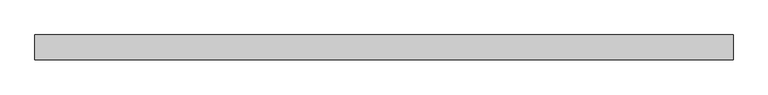
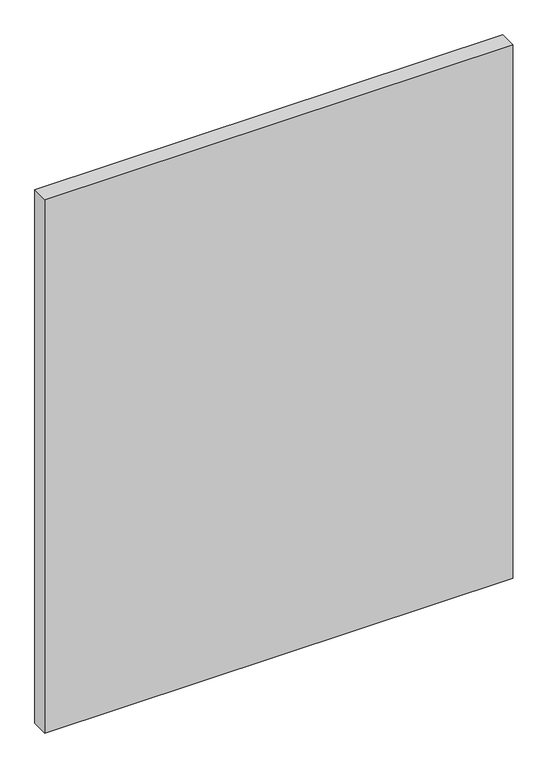
"""IFC4 building model written with IfcOpenShell, lengths in millimetres: plate geometry."""

from ifc_helpers import new_model, si_unit, origin, origin_with_axes, place, context, project, spatial, polyline, outline, extrude, source, transform, mapped, element, save


def plate_f19fb958(model_context):
    return source(origin(), model_context, "Body", "SweptSolid", [
        extrude(outline(polyline([(730.7821394, -26.19375), (-730.7821394, -26.19375), (-730.7821394, 26.19375), (730.7821394, 26.19375), (730.7821394, -26.19375)])), origin_with_axes(), (0.0, 0.0, 1.0), 1761.3),
    ])


if __name__ == "__main__":
    model = new_model("IFC4")
    model_context = context("Model", 3, world=origin())
    ifc_project = project(units=[si_unit("LENGTHUNIT", "METRE", prefix="MILLI")], contexts=[model_context])
    site = spatial("IfcSite", under=ifc_project)
    building = spatial("IfcBuilding", under=site)
    placement = place(None, origin())
    plate_shape = plate_f19fb958(model_context)
    element("IfcPlate", 1, at=placement, inside=building, context=model_context, shape_type="MappedRepresentation", body=[
        mapped(plate_shape, transform((0.0, 0.0, 0.0), x_axis=(1.0, 0.0, 0.0), y_axis=(0.0, 1.0, 0.0), z_axis=(0.0, 0.0, 1.0))),
    ])
    save(model, "model.ifc")
